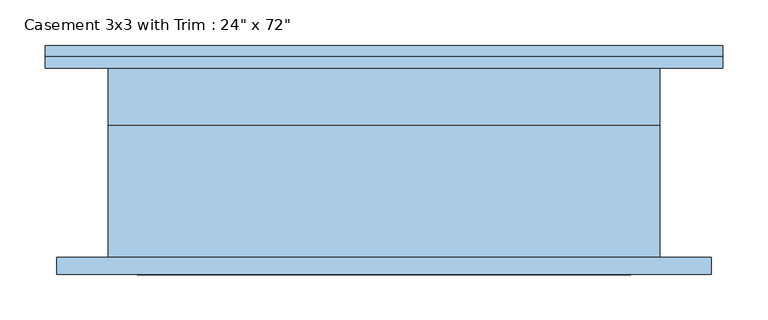
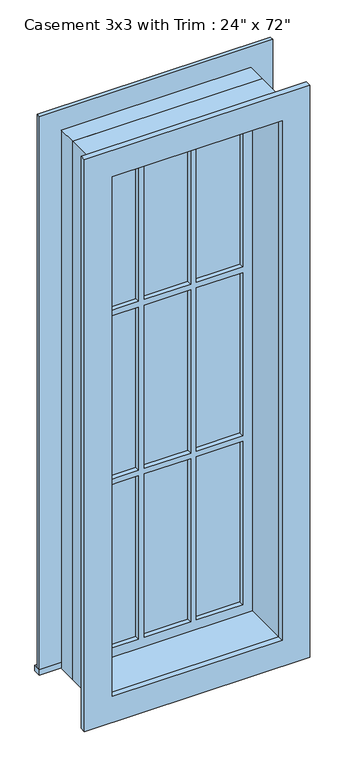
"""IFC4 building model written with IfcOpenShell, lengths in millimetres: window geometry."""

from ifc_helpers import new_model, si_unit, frame, origin, place, context, project, spatial, polyline, outline, extrude, source, transform, mapped, element, save


def window_b4b3c5b5(model_context):
    return source(origin(), model_context, "Body", "SweptSolid", [
        extrude(outline(polyline([(-374.65, 130.175), (374.65, 130.175), (374.65, 104.775), (-374.65, 104.775), (-374.65, 130.175)])), frame((0.0, 0.0, 609.6), z_axis=(0.0, 0.0, 1.0), x_axis=(1.0, 0.0, 0.0)), (0.0, 0.0, 1.0), 19.05),
        extrude(outline(polyline([(2419.35, -285.75), (2419.35, 285.75), (628.65, 285.75), (628.65, 374.65), (2508.25, 374.65), (2508.25, -374.65), (628.65, -374.65), (628.65, -285.75), (2419.35, -285.75)])), frame((0.0, 104.775, 0.0), z_axis=(0.0, 1.0, 0.0), x_axis=(0.0, 0.0, 1.0)), (0.0, 0.0, 1.0), 12.7),
        extrude(outline(polyline([(93.1333333, 69.85), (241.3, 69.85), (241.3, 57.15), (93.1333333, 57.15), (93.1333333, 69.85)])), frame((0.0, 0.0, 1820.3333333), z_axis=(0.0, 0.0, 1.0), x_axis=(1.0, 0.0, 0.0)), (0.0, 0.0, 1.0), 554.5666667),
        extrude(outline(polyline([(-74.0833333, 69.85), (74.0833333, 69.85), (74.0833333, 57.15), (-74.0833333, 57.15), (-74.0833333, 69.85)])), frame((0.0, 0.0, 1820.3333333), z_axis=(0.0, 0.0, 1.0), x_axis=(1.0, 0.0, 0.0)), (0.0, 0.0, 1.0), 554.5666667),
        extrude(outline(polyline([(-241.3, 69.85), (-93.1333333, 69.85), (-93.1333333, 57.15), (-241.3, 57.15), (-241.3, 69.85)])), frame((0.0, 0.0, 1820.3333333), z_axis=(0.0, 0.0, 1.0), x_axis=(1.0, 0.0, 0.0)), (0.0, 0.0, 1.0), 554.5666667),
        extrude(outline(polyline([(-241.3, 69.85), (-93.1333333, 69.85), (-93.1333333, 57.15), (-241.3, 57.15), (-241.3, 69.85)])), frame((0.0, 0.0, 1246.7166667), z_axis=(0.0, 0.0, 1.0), x_axis=(1.0, 0.0, 0.0)), (0.0, 0.0, 1.0), 554.5666667),
        extrude(outline(polyline([(-74.0833333, 69.85), (74.0833333, 69.85), (74.0833333, 57.15), (-74.0833333, 57.15), (-74.0833333, 69.85)])), frame((0.0, 0.0, 1246.7166667), z_axis=(0.0, 0.0, 1.0), x_axis=(1.0, 0.0, 0.0)), (0.0, 0.0, 1.0), 554.5666667),
        extrude(outline(polyline([(93.1333333, 69.85), (241.3, 69.85), (241.3, 57.15), (93.1333333, 57.15), (93.1333333, 69.85)])), frame((0.0, 0.0, 1246.7166667), z_axis=(0.0, 0.0, 1.0), x_axis=(1.0, 0.0, 0.0)), (0.0, 0.0, 1.0), 554.5666667),
        extrude(outline(polyline([(93.1333333, 69.85), (241.3, 69.85), (241.3, 57.15), (93.1333333, 57.15), (93.1333333, 69.85)])), frame((0.0, 0.0, 673.1), z_axis=(0.0, 0.0, 1.0), x_axis=(1.0, 0.0, 0.0)), (0.0, 0.0, 1.0), 554.5666667),
        extrude(outline(polyline([(-74.0833333, 69.85), (74.0833333, 69.85), (74.0833333, 57.15), (-74.0833333, 57.15), (-74.0833333, 69.85)])), frame((0.0, 0.0, 673.1), z_axis=(0.0, 0.0, 1.0), x_axis=(1.0, 0.0, 0.0)), (0.0, 0.0, 1.0), 554.5666667),
        extrude(outline(polyline([(-241.3, 69.85), (-93.1333333, 69.85), (-93.1333333, 57.15), (-241.3, 57.15), (-241.3, 69.85)])), frame((0.0, 0.0, 673.1), z_axis=(0.0, 0.0, 1.0), x_axis=(1.0, 0.0, 0.0)), (0.0, 0.0, 1.0), 554.5666667),
        extrude(outline(polyline([(2495.55, 361.95), (2495.55, -361.95), (552.45, -361.95), (552.45, 361.95), (2495.55, 361.95)]), holes=[polyline([(2406.65, 273.05), (641.35, 273.05), (641.35, -273.05), (2406.65, -273.05), (2406.65, 273.05)])]), frame((0.0, -123.825, 0.0), z_axis=(0.0, 1.0, 0.0), x_axis=(0.0, 0.0, 1.0)), (0.0, 0.0, 1.0), 19.05),
        extrude(outline(polyline([(2419.35, -285.75), (628.65, -285.75), (628.65, 285.75), (2419.35, 285.75), (2419.35, -285.75)]), holes=[polyline([(2374.9, -93.1333333), (1820.3333333, -93.1333333), (1820.3333333, -241.3), (2374.9, -241.3), (2374.9, -93.1333333)]), polyline([(1801.2833333, -93.1333333), (1246.7166667, -93.1333333), (1246.7166667, -241.3), (1801.2833333, -241.3), (1801.2833333, -93.1333333)]), polyline([(1227.6666667, -93.1333333), (673.1, -93.1333333), (673.1, -241.3), (1227.6666667, -241.3), (1227.6666667, -93.1333333)]), polyline([(2374.9, 74.0833333), (1820.3333333, 74.0833333), (1820.3333333, -74.0833333), (2374.9, -74.0833333), (2374.9, 74.0833333)]), polyline([(1801.2833333, 74.0833333), (1246.7166667, 74.0833333), (1246.7166667, -74.0833333), (1801.2833333, -74.0833333), (1801.2833333, 74.0833333)]), polyline([(1227.6666667, 74.0833333), (673.1, 74.0833333), (673.1, -74.0833333), (1227.6666667, -74.0833333), (1227.6666667, 74.0833333)]), polyline([(2374.9, 241.3), (1820.3333333, 241.3), (1820.3333333, 93.1333333), (2374.9, 93.1333333), (2374.9, 241.3)]), polyline([(1801.2833333, 241.3), (1246.7166667, 241.3), (1246.7166667, 93.1333333), (1801.2833333, 93.1333333), (1801.2833333, 241.3)]), polyline([(1227.6666667, 241.3), (673.1, 241.3), (673.1, 93.1333333), (1227.6666667, 93.1333333), (1227.6666667, 241.3)])]), frame((0.0, 41.275, 0.0), z_axis=(0.0, 1.0, 0.0), x_axis=(0.0, 0.0, 1.0)), (0.0, 0.0, 1.0), 44.45),
        extrude(outline(polyline([(2438.4, -304.8), (609.6, -304.8), (609.6, 304.8), (2438.4, 304.8), (2438.4, -304.8)]), holes=[polyline([(2406.65, -273.05), (2406.65, 273.05), (641.35, 273.05), (641.35, -273.05), (2406.65, -273.05)])]), frame((0.0, -104.775, 0.0), z_axis=(0.0, 1.0, 0.0), x_axis=(0.0, 0.0, 1.0)), (0.0, 0.0, 1.0), 146.05),
        extrude(outline(polyline([(2438.4, 304.8), (2438.4, -304.8), (609.6, -304.8), (609.6, 304.8), (2438.4, 304.8)]), holes=[polyline([(2419.35, 285.75), (628.65, 285.75), (628.65, -285.75), (2419.35, -285.75), (2419.35, 285.75)])]), frame((0.0, 41.275, 0.0), z_axis=(0.0, 1.0, 0.0), x_axis=(0.0, 0.0, 1.0)), (0.0, 0.0, 1.0), 63.5),
    ])


if __name__ == "__main__":
    model = new_model("IFC4")
    model_context = context("Model", 3, world=origin())
    ifc_project = project(units=[si_unit("LENGTHUNIT", "METRE", prefix="MILLI")], contexts=[model_context])
    site = spatial("IfcSite", under=ifc_project)
    building = spatial("IfcBuilding", under=site)
    placement = place(None, origin())
    window_shape = window_b4b3c5b5(model_context)
    element("IfcWindow", 1, ObjectType="Casement 3x3 with Trim : 24\" x 72\"", at=placement, inside=building, context=model_context, shape_type="MappedRepresentation", body=[
        mapped(window_shape, transform((0.0, 0.0, 0.0), x_axis=(1.0, 0.0, 0.0), y_axis=(0.0, 1.0, 0.0), z_axis=(0.0, 0.0, 1.0))),
    ])
    save(model, "model.ifc")
